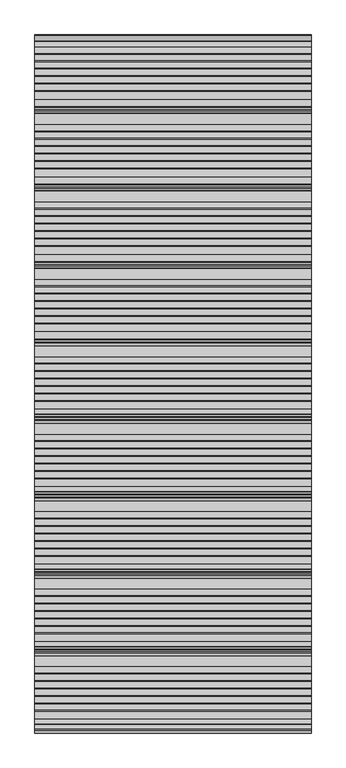
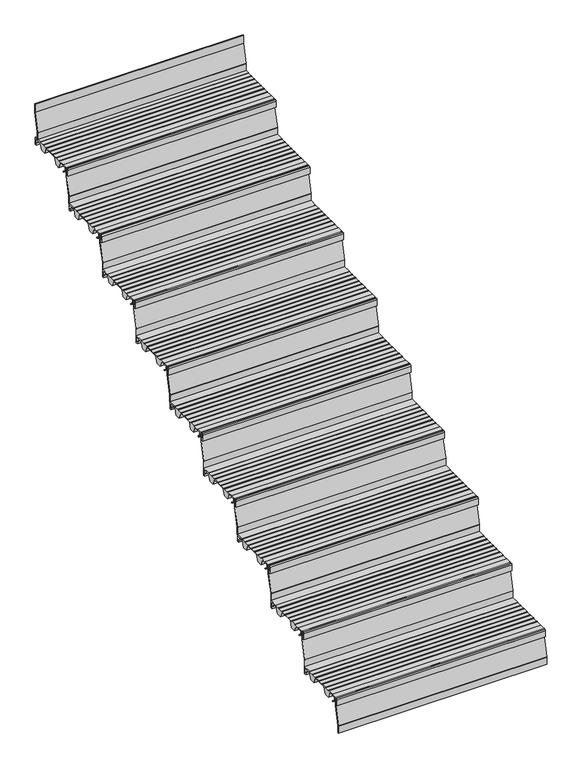
"""IFC4 building model written with IfcOpenShell, lengths in millimetres: stair flight geometry."""

from ifc_helpers import new_model, si_unit, point, frame, frame_2d, origin, place, context, project, spatial, polyline, circle_curve, trimmed, segment, composite_curve, outline, extrude, source, transform, mapped, element, save


def stair_flight_afd621e7(model_context):
    return source(origin(), model_context, "Body", "SweptSolid", [
        extrude(outline(composite_curve([segment(polyline([(-251.0228882, 4122.0083372), (-239.2635956, 4112.8608187), (-235.814023, 4112.8532161), (-235.8198754, 4110.197748), (-240.1774004, 4110.2073517), (-253.4632244, 4120.5423544), (-254.1204224, 4140.3419091), (-270.9403325, 4140.3048394), (-270.9403325, 4118.9532616), (-265.0403648, 4118.9662647), (-265.0403648, 4109.707616), (-274.2346869, 4109.707616), (-274.2346869, 4140.5882353)]), True, "CONTINUOUS"), segment(trimmed(circle_curve(frame_2d((-269.2346869, 4140.5882353)), 5.0), [point((-274.2346869, 4140.5882353))], [point((-269.2346869, 4145.5882353))], False, "CARTESIAN"), True, "CONTINUOUS"), segment(polyline([(-269.2346869, 4145.5882353), (-234.5261336, 4145.5882353), (-234.5261336, 4144.2062594), (-204.4999776, 4144.1400841), (-204.4999776, 4145.7289212), (-202.4653981, 4145.7289212), (-202.4653981, 4143.7846383), (-177.6188218, 4143.7846383), (-177.6188218, 4145.7289212), (-175.5842423, 4145.7289212), (-175.5842423, 4143.7846383), (-150.7376659, 4143.7846383), (-150.7376659, 4145.7289212), (-148.7030864, 4145.7289212), (-148.7030864, 4143.7846383), (-123.8565101, 4143.7846383), (-123.8565101, 4145.7289212), (-121.8219306, 4145.7289212), (-121.8219306, 4143.7846383), (-96.9753543, 4143.7846383), (-96.9753543, 4145.7289212), (-94.9407747, 4145.7289212), (-94.9407747, 4143.7846383), (-70.1036061, 4143.7846383), (-70.1036061, 4145.7289212), (-68.0690266, 4145.7289212), (-68.0690266, 4143.7846383), (-43.2211524, 4143.7846383), (-43.2211524, 4145.6741584), (-4.2346869, 4145.5882353), (-4.2346869, 4109.6873524), (-13.429009, 4109.707616), (-13.429009, 4118.9662647), (-7.5290413, 4118.9532616), (-7.5290413, 4140.3048394), (-45.7505822, 4140.3890766), (-56.4760637, 4109.8024883), (-81.3678437, 4109.8573478), (-94.3617912, 4141.063068), (-165.0325064, 4141.2188207), (-175.9566079, 4110.0658141), (-200.848388, 4110.1206736), (-213.9210866, 4141.5155193), (-234.5261336, 4141.5609312), (-234.5261336, 4140.3850934), (-251.6316085, 4140.3473943), (-251.0228882, 4122.0083372)]), True, "CONTINUOUS")], self_intersect=False)), frame((-1158.8300828, 0.0, 0.0), z_axis=(1.0, 0.0, 0.0), x_axis=(0.0, 1.0, 0.0)), (0.0, 0.0, 1.0), 1000.0),
        extrude(outline(composite_curve([segment(polyline([(-262.7293497, 4145.5882353), (-260.7290994, 4145.5882353), (-260.7290994, 4104.1312856)]), True, "CONTINUOUS"), segment(trimmed(circle_curve(frame_2d((-264.6054869, 4104.0469557)), 3.8773048), [point((-260.7290994, 4104.1312856))], [point((-260.8355039, 4103.1410199))], False, "CARTESIAN"), True, "CONTINUOUS"), segment(polyline([(-260.8355039, 4103.1410199), (-282.2344365, 4014.0909912), (-282.2344365, 3978.0882353), (-284.2346869, 3978.0882353), (-284.2346869, 4013.7817433)]), True, "CONTINUOUS"), segment(trimmed(circle_curve(frame_2d((-279.6463851, 4013.7817433)), 4.5883018), [point((-284.2346869, 4013.7817433))], [point((-284.1076852, 4014.8538043))], False, "CARTESIAN"), True, "CONTINUOUS"), segment(polyline([(-284.1076852, 4014.8538043), (-262.7293497, 4103.8181193), (-262.7293497, 4145.5882353)]), True, "CONTINUOUS")], self_intersect=False)), frame((-1158.8300828, 0.0, 0.0), z_axis=(1.0, 0.0, 0.0), x_axis=(0.0, 1.0, 0.0)), (0.0, 0.0, 1.0), 1000.0),
        extrude(outline(composite_curve([segment(polyline([(17.2706503, 4311.4117647), (19.2709006, 4311.4117647), (19.2709006, 4269.954815)]), True, "CONTINUOUS"), segment(trimmed(circle_curve(frame_2d((15.3945131, 4269.8704851)), 3.8773048), [point((19.2709006, 4269.954815))], [point((19.1644961, 4268.9645493))], False, "CARTESIAN"), True, "CONTINUOUS"), segment(polyline([(19.1644961, 4268.9645493), (-2.2344365, 4179.9145206), (-2.2344365, 4143.9117647), (-4.2346869, 4143.9117647), (-4.2346869, 4179.6052727)]), True, "CONTINUOUS"), segment(trimmed(circle_curve(frame_2d((0.3536149, 4179.6052727)), 4.5883018), [point((-4.2346869, 4179.6052727))], [point((-4.1076852, 4180.6773337))], False, "CARTESIAN"), True, "CONTINUOUS"), segment(polyline([(-4.1076852, 4180.6773337), (17.2706503, 4269.6416487), (17.2706503, 4311.4117647)]), True, "CONTINUOUS")], self_intersect=False)), frame((-1158.8300828, 0.0, 0.0), z_axis=(1.0, 0.0, 0.0), x_axis=(0.0, 1.0, 0.0)), (0.0, 0.0, 1.0), 1000.0),
        extrude(outline(composite_curve([segment(polyline([(28.9771118, 4287.8318666), (40.7364044, 4278.6843481), (44.185977, 4278.6767455), (44.1801246, 4276.0212774), (39.8225996, 4276.0308811), (26.5367756, 4286.3658838), (25.8795776, 4306.1654385), (9.0596675, 4306.1283688), (9.0596675, 4284.7767911), (14.9596352, 4284.7897941), (14.9596352, 4275.5311454), (5.7653131, 4275.5311454), (5.7653131, 4306.4117647)]), True, "CONTINUOUS"), segment(trimmed(circle_curve(frame_2d((10.7653131, 4306.4117647)), 5.0), [point((5.7653131, 4306.4117647))], [point((10.7653131, 4311.4117647))], False, "CARTESIAN"), True, "CONTINUOUS"), segment(polyline([(10.7653131, 4311.4117647), (45.4738664, 4311.4117647), (45.4738664, 4310.0297889), (75.5000224, 4309.9636136), (75.5000224, 4311.5524506), (77.5346019, 4311.5524506), (77.5346019, 4309.6081677), (102.3811782, 4309.6081677), (102.3811782, 4311.5524506), (104.4157577, 4311.5524506), (104.4157577, 4309.6081677), (129.2623341, 4309.6081677), (129.2623341, 4311.5524506), (131.2969136, 4311.5524506), (131.2969136, 4309.6081677), (156.1434899, 4309.6081677), (156.1434899, 4311.5524506), (158.1780694, 4311.5524506), (158.1780694, 4309.6081677), (183.0246457, 4309.6081677), (183.0246457, 4311.5524506), (185.0592253, 4311.5524506), (185.0592253, 4309.6081677), (209.8963939, 4309.6081677), (209.8963939, 4311.5524506), (211.9309734, 4311.5524506), (211.9309734, 4309.6081677), (236.7788476, 4309.6081677), (236.7788476, 4311.4976878), (275.7653131, 4311.4117647), (275.7653131, 4275.5108818), (266.570991, 4275.5311454), (266.570991, 4284.7897941), (272.4709587, 4284.7767911), (272.4709587, 4306.1283688), (234.2494178, 4306.2126061), (223.5239363, 4275.6260177), (198.6321563, 4275.6808772), (185.6382088, 4306.8865974), (114.9674936, 4307.0423501), (104.0433921, 4275.8893435), (79.151612, 4275.944203), (66.0789134, 4307.3390487), (45.4738664, 4307.3844606), (45.4738664, 4306.2086228), (28.3683915, 4306.1709237), (28.9771118, 4287.8318666)]), True, "CONTINUOUS")], self_intersect=False)), frame((-1158.8300828, 0.0, 0.0), z_axis=(1.0, 0.0, 0.0), x_axis=(0.0, 1.0, 0.0)), (0.0, 0.0, 1.0), 1000.0),
        extrude(outline(composite_curve([segment(polyline([(297.2706503, 4477.2352941), (299.2709006, 4477.2352941), (299.2709006, 4435.7783444)]), True, "CONTINUOUS"), segment(trimmed(circle_curve(frame_2d((295.3945131, 4435.6940145)), 3.8773048), [point((299.2709006, 4435.7783444))], [point((299.1644961, 4434.7880787))], False, "CARTESIAN"), True, "CONTINUOUS"), segment(polyline([(299.1644961, 4434.7880787), (277.7655635, 4345.73805), (277.7655635, 4309.7352941), (275.7653131, 4309.7352941), (275.7653131, 4345.4288021)]), True, "CONTINUOUS"), segment(trimmed(circle_curve(frame_2d((280.3536149, 4345.4288021)), 4.5883018), [point((275.7653131, 4345.4288021))], [point((275.8923148, 4346.5008631))], False, "CARTESIAN"), True, "CONTINUOUS"), segment(polyline([(275.8923148, 4346.5008631), (297.2706503, 4435.4651781), (297.2706503, 4477.2352941)]), True, "CONTINUOUS")], self_intersect=False)), frame((-1158.8300828, 0.0, 0.0), z_axis=(1.0, 0.0, 0.0), x_axis=(0.0, 1.0, 0.0)), (0.0, 0.0, 1.0), 1000.0),
        extrude(outline(composite_curve([segment(polyline([(308.9771118, 4453.655396), (320.7364044, 4444.5078775), (324.185977, 4444.5002749), (324.1801246, 4441.8448068), (319.8225996, 4441.8544105), (306.5367756, 4452.1894132), (305.8795776, 4471.988968), (289.0596675, 4471.9518982), (289.0596675, 4450.6003205), (294.9596352, 4450.6133235), (294.9596352, 4441.3546748), (285.7653131, 4441.3546748), (285.7653131, 4472.2352941)]), True, "CONTINUOUS"), segment(trimmed(circle_curve(frame_2d((290.7653131, 4472.2352941)), 5.0), [point((285.7653131, 4472.2352941))], [point((290.7653131, 4477.2352941))], False, "CARTESIAN"), True, "CONTINUOUS"), segment(polyline([(290.7653131, 4477.2352941), (325.4738664, 4477.2352941), (325.4738664, 4475.8533183), (355.5000224, 4475.787143), (355.5000224, 4477.37598), (357.5346019, 4477.37598), (357.5346019, 4475.4316971), (382.3811782, 4475.4316971), (382.3811782, 4477.37598), (384.4157577, 4477.37598), (384.4157577, 4475.4316971), (409.2623341, 4475.4316971), (409.2623341, 4477.37598), (411.2969136, 4477.37598), (411.2969136, 4475.4316971), (436.1434899, 4475.4316971), (436.1434899, 4477.37598), (438.1780694, 4477.37598), (438.1780694, 4475.4316971), (463.0246457, 4475.4316971), (463.0246457, 4477.37598), (465.0592253, 4477.37598), (465.0592253, 4475.4316971), (489.8963939, 4475.4316971), (489.8963939, 4477.37598), (491.9309734, 4477.37598), (491.9309734, 4475.4316971), (516.7788476, 4475.4316971), (516.7788476, 4477.3212172), (555.7653131, 4477.2352941), (555.7653131, 4441.3344112), (546.570991, 4441.3546748), (546.570991, 4450.6133235), (552.4709587, 4450.6003205), (552.4709587, 4471.9518982), (514.2494178, 4472.0361355), (503.5239363, 4441.4495471), (478.6321563, 4441.5044067), (465.6382088, 4472.7101268), (394.9674936, 4472.8658795), (384.0433921, 4441.7128729), (359.151612, 4441.7677324), (346.0789134, 4473.1625781), (325.4738664, 4473.2079901), (325.4738664, 4472.0321522), (308.3683915, 4471.9944531), (308.9771118, 4453.655396)]), True, "CONTINUOUS")], self_intersect=False)), frame((-1158.8300828, 0.0, 0.0), z_axis=(1.0, 0.0, 0.0), x_axis=(0.0, 1.0, 0.0)), (0.0, 0.0, 1.0), 1000.0),
        extrude(outline(composite_curve([segment(polyline([(577.2706503, 4643.0588235), (579.2709006, 4643.0588235), (579.2709006, 4601.6018738)]), True, "CONTINUOUS"), segment(trimmed(circle_curve(frame_2d((575.3945131, 4601.5175439)), 3.8773048), [point((579.2709006, 4601.6018738))], [point((579.1644961, 4600.6116081))], False, "CARTESIAN"), True, "CONTINUOUS"), segment(polyline([(579.1644961, 4600.6116081), (557.7655635, 4511.5615794), (557.7655635, 4475.5588235), (555.7653131, 4475.5588235), (555.7653131, 4511.2523315)]), True, "CONTINUOUS"), segment(trimmed(circle_curve(frame_2d((560.3536149, 4511.2523315)), 4.5883018), [point((555.7653131, 4511.2523315))], [point((555.8923148, 4512.3243925))], False, "CARTESIAN"), True, "CONTINUOUS"), segment(polyline([(555.8923148, 4512.3243925), (577.2706503, 4601.2887075), (577.2706503, 4643.0588235)]), True, "CONTINUOUS")], self_intersect=False)), frame((-1158.8300828, 0.0, 0.0), z_axis=(1.0, 0.0, 0.0), x_axis=(0.0, 1.0, 0.0)), (0.0, 0.0, 1.0), 1000.0),
        extrude(outline(composite_curve([segment(polyline([(588.9771118, 4619.4789255), (600.7364044, 4610.3314069), (604.185977, 4610.3238043), (604.1801246, 4607.6683362), (599.8225996, 4607.6779399), (586.5367756, 4618.0129426), (585.8795776, 4637.8124974), (569.0596675, 4637.7754276), (569.0596675, 4616.4238499), (574.9596352, 4616.436853), (574.9596352, 4607.1782042), (565.7653131, 4607.1782042), (565.7653131, 4638.0588235)]), True, "CONTINUOUS"), segment(trimmed(circle_curve(frame_2d((570.7653131, 4638.0588235)), 5.0), [point((565.7653131, 4638.0588235))], [point((570.7653131, 4643.0588235))], False, "CARTESIAN"), True, "CONTINUOUS"), segment(polyline([(570.7653131, 4643.0588235), (605.4738664, 4643.0588235), (605.4738664, 4641.6768477), (635.5000224, 4641.6106724), (635.5000224, 4643.1995094), (637.5346019, 4643.1995094), (637.5346019, 4641.2552265), (662.3811782, 4641.2552265), (662.3811782, 4643.1995094), (664.4157577, 4643.1995094), (664.4157577, 4641.2552265), (689.2623341, 4641.2552265), (689.2623341, 4643.1995094), (691.2969136, 4643.1995094), (691.2969136, 4641.2552265), (716.1434899, 4641.2552265), (716.1434899, 4643.1995094), (718.1780694, 4643.1995094), (718.1780694, 4641.2552265), (743.0246457, 4641.2552265), (743.0246457, 4643.1995094), (745.0592253, 4643.1995094), (745.0592253, 4641.2552265), (769.8963939, 4641.2552265), (769.8963939, 4643.1995094), (771.9309734, 4643.1995094), (771.9309734, 4641.2552265), (796.7788476, 4641.2552265), (796.7788476, 4643.1447466), (835.7653131, 4643.0588235), (835.7653131, 4607.1579406), (826.570991, 4607.1782042), (826.570991, 4616.436853), (832.4709587, 4616.4238499), (832.4709587, 4637.7754276), (794.2494178, 4637.8596649), (783.5239363, 4607.2730765), (758.6321563, 4607.3279361), (745.6382088, 4638.5336562), (674.9674936, 4638.6894089), (664.0433921, 4607.5364023), (639.151612, 4607.5912618), (626.0789134, 4638.9861076), (605.4738664, 4639.0315195), (605.4738664, 4637.8556816), (588.3683915, 4637.8179825), (588.9771118, 4619.4789255)]), True, "CONTINUOUS")], self_intersect=False)), frame((-1158.8300828, 0.0, 0.0), z_axis=(1.0, 0.0, 0.0), x_axis=(0.0, 1.0, 0.0)), (0.0, 0.0, 1.0), 1000.0),
        extrude(outline(composite_curve([segment(polyline([(857.2706503, 4808.8823529), (859.2709006, 4808.8823529), (859.2709006, 4767.4254032)]), True, "CONTINUOUS"), segment(trimmed(circle_curve(frame_2d((855.3945131, 4767.3410734)), 3.8773048), [point((859.2709006, 4767.4254032))], [point((859.1644961, 4766.4351375))], False, "CARTESIAN"), True, "CONTINUOUS"), segment(polyline([(859.1644961, 4766.4351375), (837.7655635, 4677.3851088), (837.7655635, 4641.3823529), (835.7653131, 4641.3823529), (835.7653131, 4677.075861)]), True, "CONTINUOUS"), segment(trimmed(circle_curve(frame_2d((840.3536149, 4677.075861)), 4.5883018), [point((835.7653131, 4677.075861))], [point((835.8923148, 4678.1479219))], False, "CARTESIAN"), True, "CONTINUOUS"), segment(polyline([(835.8923148, 4678.1479219), (857.2706503, 4767.112237), (857.2706503, 4808.8823529)]), True, "CONTINUOUS")], self_intersect=False)), frame((-1158.8300828, 0.0, 0.0), z_axis=(1.0, 0.0, 0.0), x_axis=(0.0, 1.0, 0.0)), (0.0, 0.0, 1.0), 1000.0),
        extrude(outline(composite_curve([segment(polyline([(868.9771118, 4785.3024549), (880.7364044, 4776.1549363), (884.185977, 4776.1473337), (884.1801246, 4773.4918657), (879.8225996, 4773.5014693), (866.5367756, 4783.836472), (865.8795776, 4803.6360268), (849.0596675, 4803.598957), (849.0596675, 4782.2473793), (854.9596352, 4782.2603824), (854.9596352, 4773.0017336), (845.7653131, 4773.0017336), (845.7653131, 4803.8823529)]), True, "CONTINUOUS"), segment(trimmed(circle_curve(frame_2d((850.7653131, 4803.8823529)), 5.0), [point((845.7653131, 4803.8823529))], [point((850.7653131, 4808.8823529))], False, "CARTESIAN"), True, "CONTINUOUS"), segment(polyline([(850.7653131, 4808.8823529), (885.4738664, 4808.8823529), (885.4738664, 4807.5003771), (915.5000224, 4807.4342018), (915.5000224, 4809.0230388), (917.5346019, 4809.0230388), (917.5346019, 4807.0787559), (942.3811782, 4807.0787559), (942.3811782, 4809.0230388), (944.4157577, 4809.0230388), (944.4157577, 4807.0787559), (969.2623341, 4807.0787559), (969.2623341, 4809.0230388), (971.2969136, 4809.0230388), (971.2969136, 4807.0787559), (996.1434899, 4807.0787559), (996.1434899, 4809.0230388), (998.1780694, 4809.0230388), (998.1780694, 4807.0787559), (1023.0246457, 4807.0787559), (1023.0246457, 4809.0230388), (1025.0592253, 4809.0230388), (1025.0592253, 4807.0787559), (1049.8963939, 4807.0787559), (1049.8963939, 4809.0230388), (1051.9309734, 4809.0230388), (1051.9309734, 4807.0787559), (1076.7788476, 4807.0787559), (1076.7788476, 4808.9682761), (1115.7653131, 4808.8823529), (1115.7653131, 4772.9814701), (1106.570991, 4773.0017336), (1106.570991, 4782.2603824), (1112.4709587, 4782.2473793), (1112.4709587, 4803.598957), (1074.2494178, 4803.6831943), (1063.5239363, 4773.096606), (1038.6321563, 4773.1514655), (1025.6382088, 4804.3571856), (954.9674936, 4804.5129384), (944.0433921, 4773.3599317), (919.151612, 4773.4147912), (906.0789134, 4804.809637), (885.4738664, 4804.8550489), (885.4738664, 4803.6792111), (868.3683915, 4803.6415119), (868.9771118, 4785.3024549)]), True, "CONTINUOUS")], self_intersect=False)), frame((-1158.8300828, 0.0, 0.0), z_axis=(1.0, 0.0, 0.0), x_axis=(0.0, 1.0, 0.0)), (0.0, 0.0, 1.0), 1000.0),
        extrude(outline(composite_curve([segment(polyline([(1137.2706503, 4974.7058824), (1139.2709006, 4974.7058824), (1139.2709006, 4933.2489326)]), True, "CONTINUOUS"), segment(trimmed(circle_curve(frame_2d((1135.3945131, 4933.1646028)), 3.8773048), [point((1139.2709006, 4933.2489326))], [point((1139.1644961, 4932.2586669))], False, "CARTESIAN"), True, "CONTINUOUS"), segment(polyline([(1139.1644961, 4932.2586669), (1117.7655635, 4843.2086383), (1117.7655635, 4807.2058824), (1115.7653131, 4807.2058824), (1115.7653131, 4842.8993904)]), True, "CONTINUOUS"), segment(trimmed(circle_curve(frame_2d((1120.3536149, 4842.8993904)), 4.5883018), [point((1115.7653131, 4842.8993904))], [point((1115.8923148, 4843.9714513))], False, "CARTESIAN"), True, "CONTINUOUS"), segment(polyline([(1115.8923148, 4843.9714513), (1137.2706503, 4932.9357664), (1137.2706503, 4974.7058824)]), True, "CONTINUOUS")], self_intersect=False)), frame((-1158.8300828, 0.0, 0.0), z_axis=(1.0, 0.0, 0.0), x_axis=(0.0, 1.0, 0.0)), (0.0, 0.0, 1.0), 1000.0),
        extrude(outline(composite_curve([segment(polyline([(1148.9771118, 4951.1259843), (1160.7364044, 4941.9784657), (1164.185977, 4941.9708632), (1164.1801246, 4939.3153951), (1159.8225996, 4939.3249987), (1146.5367756, 4949.6600014), (1145.8795776, 4969.4595562), (1129.0596675, 4969.4224864), (1129.0596675, 4948.0709087), (1134.9596352, 4948.0839118), (1134.9596352, 4938.825263), (1125.7653131, 4938.825263), (1125.7653131, 4969.7058824)]), True, "CONTINUOUS"), segment(trimmed(circle_curve(frame_2d((1130.7653131, 4969.7058824)), 5.0), [point((1125.7653131, 4969.7058824))], [point((1130.7653131, 4974.7058824))], False, "CARTESIAN"), True, "CONTINUOUS"), segment(polyline([(1130.7653131, 4974.7058824), (1165.4738664, 4974.7058824), (1165.4738664, 4973.3239065), (1195.5000224, 4973.2577312), (1195.5000224, 4974.8465682), (1197.5346019, 4974.8465682), (1197.5346019, 4972.9022853), (1222.3811782, 4972.9022853), (1222.3811782, 4974.8465682), (1224.4157577, 4974.8465682), (1224.4157577, 4972.9022853), (1249.2623341, 4972.9022853), (1249.2623341, 4974.8465682), (1251.2969136, 4974.8465682), (1251.2969136, 4972.9022853), (1276.1434899, 4972.9022853), (1276.1434899, 4974.8465682), (1278.1780694, 4974.8465682), (1278.1780694, 4972.9022853), (1303.0246457, 4972.9022853), (1303.0246457, 4974.8465682), (1305.0592253, 4974.8465682), (1305.0592253, 4972.9022853), (1329.8963939, 4972.9022853), (1329.8963939, 4974.8465682), (1331.9309734, 4974.8465682), (1331.9309734, 4972.9022853), (1356.7788476, 4972.9022853), (1356.7788476, 4974.7918055), (1395.7653131, 4974.7058824), (1395.7653131, 4938.8049995), (1386.570991, 4938.825263), (1386.570991, 4948.0839118), (1392.4709587, 4948.0709087), (1392.4709587, 4969.4224864), (1354.2494178, 4969.5067237), (1343.5239363, 4938.9201354), (1318.6321563, 4938.9749949), (1305.6382088, 4970.180715), (1234.9674936, 4970.3364678), (1224.0433921, 4939.1834611), (1199.151612, 4939.2383207), (1186.0789134, 4970.6331664), (1165.4738664, 4970.6785783), (1165.4738664, 4969.5027405), (1148.3683915, 4969.4650413), (1148.9771118, 4951.1259843)]), True, "CONTINUOUS")], self_intersect=False)), frame((-1158.8300828, 0.0, 0.0), z_axis=(1.0, 0.0, 0.0), x_axis=(0.0, 1.0, 0.0)), (0.0, 0.0, 1.0), 1000.0),
        extrude(outline(composite_curve([segment(polyline([(1417.2706503, 5140.5294118), (1419.2709006, 5140.5294118), (1419.2709006, 5099.072462)]), True, "CONTINUOUS"), segment(trimmed(circle_curve(frame_2d((1415.3945131, 5098.9881322)), 3.8773048), [point((1419.2709006, 5099.072462))], [point((1419.1644961, 5098.0821963))], False, "CARTESIAN"), True, "CONTINUOUS"), segment(polyline([(1419.1644961, 5098.0821963), (1397.7655635, 5009.0321677), (1397.7655635, 4973.0294118), (1395.7653131, 4973.0294118), (1395.7653131, 5008.7229198)]), True, "CONTINUOUS"), segment(trimmed(circle_curve(frame_2d((1400.3536149, 5008.7229198)), 4.5883018), [point((1395.7653131, 5008.7229198))], [point((1395.8923148, 5009.7949808))], False, "CARTESIAN"), True, "CONTINUOUS"), segment(polyline([(1395.8923148, 5009.7949808), (1417.2706503, 5098.7592958), (1417.2706503, 5140.5294118)]), True, "CONTINUOUS")], self_intersect=False)), frame((-1158.8300828, 0.0, 0.0), z_axis=(1.0, 0.0, 0.0), x_axis=(0.0, 1.0, 0.0)), (0.0, 0.0, 1.0), 1000.0),
        extrude(outline(composite_curve([segment(polyline([(1428.9771118, 5116.9495137), (1440.7364044, 5107.8019951), (1444.185977, 5107.7943926), (1444.1801246, 5105.1389245), (1439.8225996, 5105.1485281), (1426.5367756, 5115.4835308), (1425.8795776, 5135.2830856), (1409.0596675, 5135.2460158), (1409.0596675, 5113.8944381), (1414.9596352, 5113.9074412), (1414.9596352, 5104.6487924), (1405.7653131, 5104.6487924), (1405.7653131, 5135.5294118)]), True, "CONTINUOUS"), segment(trimmed(circle_curve(frame_2d((1410.7653131, 5135.5294118)), 5.0), [point((1405.7653131, 5135.5294118))], [point((1410.7653131, 5140.5294118))], False, "CARTESIAN"), True, "CONTINUOUS"), segment(polyline([(1410.7653131, 5140.5294118), (1445.4738664, 5140.5294118), (1445.4738664, 5139.1474359), (1475.5000224, 5139.0812606), (1475.5000224, 5140.6700976), (1477.5346019, 5140.6700976), (1477.5346019, 5138.7258147), (1502.3811782, 5138.7258147), (1502.3811782, 5140.6700976), (1504.4157577, 5140.6700976), (1504.4157577, 5138.7258147), (1529.2623341, 5138.7258147), (1529.2623341, 5140.6700976), (1531.2969136, 5140.6700976), (1531.2969136, 5138.7258147), (1556.1434899, 5138.7258147), (1556.1434899, 5140.6700976), (1558.1780694, 5140.6700976), (1558.1780694, 5138.7258147), (1583.0246457, 5138.7258147), (1583.0246457, 5140.6700976), (1585.0592253, 5140.6700976), (1585.0592253, 5138.7258147), (1609.8963939, 5138.7258147), (1609.8963939, 5140.6700976), (1611.9309734, 5140.6700976), (1611.9309734, 5138.7258147), (1636.7788476, 5138.7258147), (1636.7788476, 5140.6153349), (1675.7653131, 5140.5294118), (1675.7653131, 5104.6285289), (1666.570991, 5104.6487924), (1666.570991, 5113.9074412), (1672.4709587, 5113.8944381), (1672.4709587, 5135.2460158), (1634.2494178, 5135.3302531), (1623.5239363, 5104.7436648), (1598.6321563, 5104.7985243), (1585.6382088, 5136.0042445), (1514.9674936, 5136.1599972), (1504.0433921, 5105.0069905), (1479.151612, 5105.0618501), (1466.0789134, 5136.4566958), (1445.4738664, 5136.5021077), (1445.4738664, 5135.3262699), (1428.3683915, 5135.2885708), (1428.9771118, 5116.9495137)]), True, "CONTINUOUS")], self_intersect=False)), frame((-1158.8300828, 0.0, 0.0), z_axis=(1.0, 0.0, 0.0), x_axis=(0.0, 1.0, 0.0)), (0.0, 0.0, 1.0), 1000.0),
        extrude(outline(composite_curve([segment(polyline([(1697.2706503, 5306.3529412), (1699.2709006, 5306.3529412), (1699.2709006, 5264.8959915)]), True, "CONTINUOUS"), segment(trimmed(circle_curve(frame_2d((1695.3945131, 5264.8116616)), 3.8773048), [point((1699.2709006, 5264.8959915))], [point((1699.1644961, 5263.9057257))], False, "CARTESIAN"), True, "CONTINUOUS"), segment(polyline([(1699.1644961, 5263.9057257), (1677.7655635, 5174.8556971), (1677.7655635, 5138.8529412), (1675.7653131, 5138.8529412), (1675.7653131, 5174.5464492)]), True, "CONTINUOUS"), segment(trimmed(circle_curve(frame_2d((1680.3536149, 5174.5464492)), 4.5883018), [point((1675.7653131, 5174.5464492))], [point((1675.8923148, 5175.6185102))], False, "CARTESIAN"), True, "CONTINUOUS"), segment(polyline([(1675.8923148, 5175.6185102), (1697.2706503, 5264.5828252), (1697.2706503, 5306.3529412)]), True, "CONTINUOUS")], self_intersect=False)), frame((-1158.8300828, 0.0, 0.0), z_axis=(1.0, 0.0, 0.0), x_axis=(0.0, 1.0, 0.0)), (0.0, 0.0, 1.0), 1000.0),
        extrude(outline(composite_curve([segment(polyline([(1708.9771118, 5282.7730431), (1720.7364044, 5273.6255246), (1724.185977, 5273.617922), (1724.1801246, 5270.9624539), (1719.8225996, 5270.9720575), (1706.5367756, 5281.3070603), (1705.8795776, 5301.106615), (1689.0596675, 5301.0695452), (1689.0596675, 5279.7179675), (1694.9596352, 5279.7309706), (1694.9596352, 5270.4723219), (1685.7653131, 5270.4723219), (1685.7653131, 5301.3529412)]), True, "CONTINUOUS"), segment(trimmed(circle_curve(frame_2d((1690.7653131, 5301.3529412)), 5.0), [point((1685.7653131, 5301.3529412))], [point((1690.7653131, 5306.3529412))], False, "CARTESIAN"), True, "CONTINUOUS"), segment(polyline([(1690.7653131, 5306.3529412), (1725.4738664, 5306.3529412), (1725.4738664, 5304.9709653), (1755.5000224, 5304.90479), (1755.5000224, 5306.4936271), (1757.5346019, 5306.4936271), (1757.5346019, 5304.5493441), (1782.3811782, 5304.5493441), (1782.3811782, 5306.4936271), (1784.4157577, 5306.4936271), (1784.4157577, 5304.5493441), (1809.2623341, 5304.5493441), (1809.2623341, 5306.4936271), (1811.2969136, 5306.4936271), (1811.2969136, 5304.5493441), (1836.1434899, 5304.5493441), (1836.1434899, 5306.4936271), (1838.1780694, 5306.4936271), (1838.1780694, 5304.5493441), (1863.0246457, 5304.5493441), (1863.0246457, 5306.4936271), (1865.0592253, 5306.4936271), (1865.0592253, 5304.5493441), (1889.8963939, 5304.5493441), (1889.8963939, 5306.4936271), (1891.9309734, 5306.4936271), (1891.9309734, 5304.5493441), (1916.7788476, 5304.5493441), (1916.7788476, 5306.4388643), (1955.7653131, 5306.3529412), (1955.7653131, 5270.4520583), (1946.570991, 5270.4723219), (1946.570991, 5279.7309706), (1952.4709587, 5279.7179675), (1952.4709587, 5301.0695452), (1914.2494178, 5301.1537825), (1903.5239363, 5270.5671942), (1878.6321563, 5270.6220537), (1865.6382088, 5301.8277739), (1794.9674936, 5301.9835266), (1784.0433921, 5270.8305199), (1759.151612, 5270.8853795), (1746.0789134, 5302.2802252), (1725.4738664, 5302.3256371), (1725.4738664, 5301.1497993), (1708.3683915, 5301.1121002), (1708.9771118, 5282.7730431)]), True, "CONTINUOUS")], self_intersect=False)), frame((-1158.8300828, 0.0, 0.0), z_axis=(1.0, 0.0, 0.0), x_axis=(0.0, 1.0, 0.0)), (0.0, 0.0, 1.0), 1000.0),
        extrude(outline(composite_curve([segment(polyline([(2237.2706503, 5638.0), (2239.2709006, 5638.0), (2239.2709006, 5596.5430503)]), True, "CONTINUOUS"), segment(trimmed(circle_curve(frame_2d((2235.3945131, 5596.4587204)), 3.8773048), [point((2239.2709006, 5596.5430503))], [point((2239.1644961, 5595.5527846))], False, "CARTESIAN"), True, "CONTINUOUS"), segment(polyline([(2239.1644961, 5595.5527846), (2217.7655635, 5506.5027559), (2217.7655635, 5470.5), (2215.7653131, 5470.5), (2215.7653131, 5506.193508)]), True, "CONTINUOUS"), segment(trimmed(circle_curve(frame_2d((2220.3536149, 5506.193508)), 4.5883018), [point((2215.7653131, 5506.193508))], [point((2215.8923148, 5507.265569))], False, "CARTESIAN"), True, "CONTINUOUS"), segment(polyline([(2215.8923148, 5507.265569), (2237.2706503, 5596.229884), (2237.2706503, 5638.0)]), True, "CONTINUOUS")], self_intersect=False)), frame((-1158.8300828, 0.0, 0.0), z_axis=(1.0, 0.0, 0.0), x_axis=(0.0, 1.0, 0.0)), (0.0, 0.0, 1.0), 1000.0),
        extrude(outline(composite_curve([segment(polyline([(1977.2706503, 5472.1764706), (1979.2709006, 5472.1764706), (1979.2709006, 5430.7195209)]), True, "CONTINUOUS"), segment(trimmed(circle_curve(frame_2d((1975.3945131, 5430.635191)), 3.8773048), [point((1979.2709006, 5430.7195209))], [point((1979.1644961, 5429.7292551))], False, "CARTESIAN"), True, "CONTINUOUS"), segment(polyline([(1979.1644961, 5429.7292551), (1957.7655635, 5340.6792265), (1957.7655635, 5304.6764706), (1955.7653131, 5304.6764706), (1955.7653131, 5340.3699786)]), True, "CONTINUOUS"), segment(trimmed(circle_curve(frame_2d((1960.3536149, 5340.3699786)), 4.5883018), [point((1955.7653131, 5340.3699786))], [point((1955.8923148, 5341.4420396))], False, "CARTESIAN"), True, "CONTINUOUS"), segment(polyline([(1955.8923148, 5341.4420396), (1977.2706503, 5430.4063546), (1977.2706503, 5472.1764706)]), True, "CONTINUOUS")], self_intersect=False)), frame((-1158.8300828, 0.0, 0.0), z_axis=(1.0, 0.0, 0.0), x_axis=(0.0, 1.0, 0.0)), (0.0, 0.0, 1.0), 1000.0),
        extrude(outline(composite_curve([segment(polyline([(1988.9771118, 5448.5965725), (2000.7364044, 5439.449054), (2004.185977, 5439.4414514), (2004.1801246, 5436.7859833), (1999.8225996, 5436.7955869), (1986.5367756, 5447.1305897), (1985.8795776, 5466.9301444), (1969.0596675, 5466.8930747), (1969.0596675, 5445.5414969), (1974.9596352, 5445.5545), (1974.9596352, 5436.2958513), (1965.7653131, 5436.2958513), (1965.7653131, 5467.1764706)]), True, "CONTINUOUS"), segment(trimmed(circle_curve(frame_2d((1970.7653131, 5467.1764706)), 5.0), [point((1965.7653131, 5467.1764706))], [point((1970.7653131, 5472.1764706))], False, "CARTESIAN"), True, "CONTINUOUS"), segment(polyline([(1970.7653131, 5472.1764706), (2005.4738664, 5472.1764706), (2005.4738664, 5470.7944947), (2035.5000224, 5470.7283194), (2035.5000224, 5472.3171565), (2037.5346019, 5472.3171565), (2037.5346019, 5470.3728736), (2062.3811782, 5470.3728736), (2062.3811782, 5472.3171565), (2064.4157577, 5472.3171565), (2064.4157577, 5470.3728736), (2089.2623341, 5470.3728736), (2089.2623341, 5472.3171565), (2091.2969136, 5472.3171565), (2091.2969136, 5470.3728736), (2116.1434899, 5470.3728736), (2116.1434899, 5472.3171565), (2118.1780694, 5472.3171565), (2118.1780694, 5470.3728736), (2143.0246457, 5470.3728736), (2143.0246457, 5472.3171565), (2145.0592253, 5472.3171565), (2145.0592253, 5470.3728736), (2169.8963939, 5470.3728736), (2169.8963939, 5472.3171565), (2171.9309734, 5472.3171565), (2171.9309734, 5470.3728736), (2196.7788476, 5470.3728736), (2196.7788476, 5472.2623937), (2235.7653131, 5472.1764706), (2235.7653131, 5436.2755877), (2226.570991, 5436.2958513), (2226.570991, 5445.5545), (2232.4709587, 5445.5414969), (2232.4709587, 5466.8930747), (2194.2494178, 5466.9773119), (2183.5239363, 5436.3907236), (2158.6321563, 5436.4455831), (2145.6382088, 5467.6513033), (2074.9674936, 5467.807056), (2064.0433921, 5436.6540494), (2039.151612, 5436.7089089), (2026.0789134, 5468.1037546), (2005.4738664, 5468.1491665), (2005.4738664, 5466.9733287), (1988.3683915, 5466.9356296), (1988.9771118, 5448.5965725)]), True, "CONTINUOUS")], self_intersect=False)), frame((-1158.8300828, 0.0, 0.0), z_axis=(1.0, 0.0, 0.0), x_axis=(0.0, 1.0, 0.0)), (0.0, 0.0, 1.0), 1000.0),
    ])


if __name__ == "__main__":
    model = new_model("IFC4")
    model_context = context("Model", 3, world=origin())
    ifc_project = project(units=[si_unit("LENGTHUNIT", "METRE", prefix="MILLI")], contexts=[model_context])
    site = spatial("IfcSite", under=ifc_project)
    building = spatial("IfcBuilding", under=site)
    placement = place(None, origin())
    stair_flight_shape = stair_flight_afd621e7(model_context)
    element("IfcStairFlight", 1, at=placement, inside=building, context=model_context, shape_type="MappedRepresentation", body=[
        mapped(stair_flight_shape, transform((0.0, 0.0, 0.0), x_axis=(1.0, 0.0, 0.0), y_axis=(0.0, 1.0, 0.0), z_axis=(0.0, 0.0, 1.0))),
    ])
    save(model, "model.ifc")
